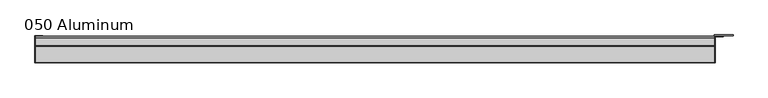
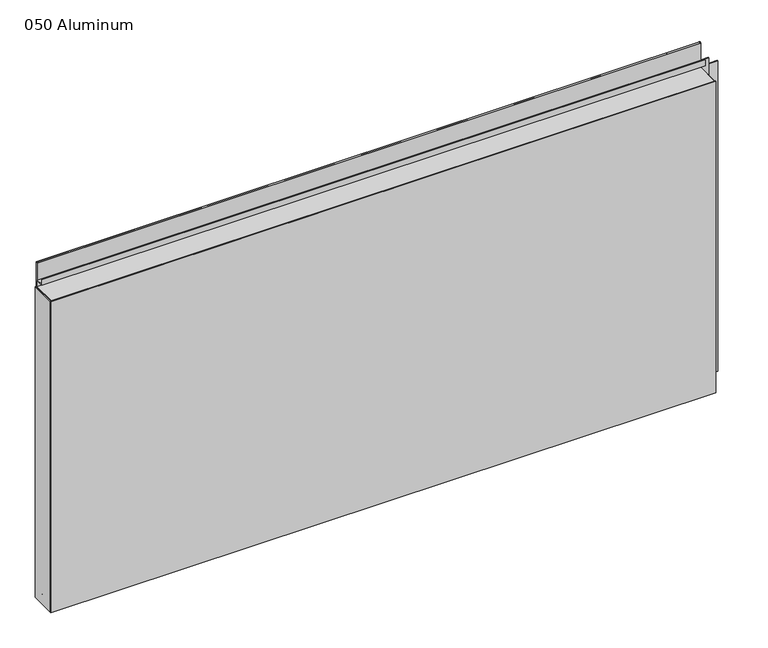
"""IFC4 building model written with IfcOpenShell, lengths in millimetres: plate geometry, 050 Aluminum."""

from ifc_helpers import new_model, si_unit, point, frame, frame_2d, origin, origin_with_axes, place, context, project, spatial, polyline, circle_curve, trimmed, segment, composite_curve, outline, extrude, source, transform, mapped, element, save


def plate_050_aluminum_3a7f2e28(model_context):
    return source(origin(), model_context, "Body", "SweptSolid", [
        extrude(outline(polyline([(-621.03, -2.5660257), (-621.03, -49.5300001), (-622.2999999, -49.5300001), (-622.2999999, -1.2699999), (-608.1394994, -1.2699999), (-608.1394994, -2.5660257), (-621.03, -2.5660257)])), origin_with_axes(), (0.0, 0.0, 1.0), 608.33),
        extrude(outline(composite_curve([segment(polyline([(-16.6765477, 13.1458337), (-16.6765477, 2.786437), (-17.9464915, 2.786437), (-17.9464915, 13.1323356)]), True, "CONTINUOUS"), segment(trimmed(circle_curve(frame_2d((-19.8514743, 13.124237)), 1.905), [point((-17.9464915, 13.1323356))], [point((-21.7564743, 13.124237))], True, "CARTESIAN"), True, "CONTINUOUS"), segment(polyline([(-21.7564743, 13.124237), (-21.7564743, 0.0), (-49.5300002, 0.0), (-49.5300002, 1.2693678), (-23.0264743, 1.2693678), (-23.0264743, 13.124237)]), True, "CONTINUOUS"), segment(trimmed(circle_curve(frame_2d((-19.8514743, 13.124237)), 3.175), [point((-23.0264743, 13.124237))], [point((-16.6765477, 13.1458337))], False, "CARTESIAN"), True, "CONTINUOUS")], self_intersect=False)), frame((-621.03, 0.0, 0.0), z_axis=(1.0, 0.0, 0.0), x_axis=(0.0, 1.0, 0.0)), (0.0, 0.0, 1.0), 1229.36),
        extrude(outline(composite_curve([segment(polyline([(-2.0574743, 656.7932001), (-2.0574743, 608.33), (-49.5300002, 608.33), (-49.5300002, 609.6000001), (-3.3274743, 609.6000001), (-3.3274743, 656.7932001)]), True, "CONTINUOUS"), segment(trimmed(circle_curve(frame_2d((-3.7084742, 656.7932001)), 0.3809999), [point((-3.3274743, 656.7932001))], [point((-4.0894742, 656.7932001))], True, "CARTESIAN"), True, "CONTINUOUS"), segment(polyline([(-4.0894742, 656.7932001), (-4.0894742, 622.3), (-20.4864742, 622.3), (-20.4864742, 633.6538), (-19.2164743, 633.6538), (-19.2164743, 623.57), (-5.3594742, 623.57), (-5.3594742, 656.7932001)]), True, "CONTINUOUS"), segment(trimmed(circle_curve(frame_2d((-3.7084742, 656.7932001)), 1.6509999), [point((-5.3594742, 656.7932001))], [point((-2.0574743, 656.7932001))], False, "CARTESIAN"), True, "CONTINUOUS")], self_intersect=False)), frame((-621.03, 0.0, 0.0), z_axis=(1.0, 0.0, 0.0), x_axis=(0.0, 1.0, 0.0)), (0.0, 0.0, 1.0), 1229.36),
        extrude(outline(polyline([(-622.3, -50.8), (-622.3, -49.5300001), (609.6, -49.5300001), (609.6, -50.8), (-622.3, -50.8)])), origin_with_axes(), (0.0, 0.0, 1.0), 609.6),
        extrude(outline(polyline([(609.6, -1.2699999), (609.6, -49.5300002), (608.3300001, -49.5300002), (608.3300001, 0.0), (642.1120856, 0.0), (642.1120856, -1.2699999), (609.6, -1.2699999)])), origin_with_axes(), (0.0, 0.0, 1.0), 608.33),
        extrude(outline(polyline([(608.33, -3.3274743), (608.33, -2.0574743), (624.0779999, -2.0574743), (624.0779999, -3.3274743), (608.33, -3.3274743)])), origin_with_axes(), (0.0, 0.0, 1.0), 622.3),
    ])


if __name__ == "__main__":
    model = new_model("IFC4")
    model_context = context("Model", 3, world=origin())
    ifc_project = project(units=[si_unit("LENGTHUNIT", "METRE", prefix="MILLI")], contexts=[model_context])
    site = spatial("IfcSite", under=ifc_project)
    building = spatial("IfcBuilding", under=site)
    placement = place(None, origin())
    plate_050_aluminum_shape = plate_050_aluminum_3a7f2e28(model_context)
    element("IfcPlate", 1, ObjectType="050 Aluminum", at=placement, inside=building, context=model_context, shape_type="MappedRepresentation", body=[
        mapped(plate_050_aluminum_shape, transform((0.0, 0.0, 0.0), x_axis=(1.0, 0.0, 0.0), y_axis=(0.0, 1.0, 0.0), z_axis=(0.0, 0.0, 1.0))),
    ])
    save(model, "model.ifc")
